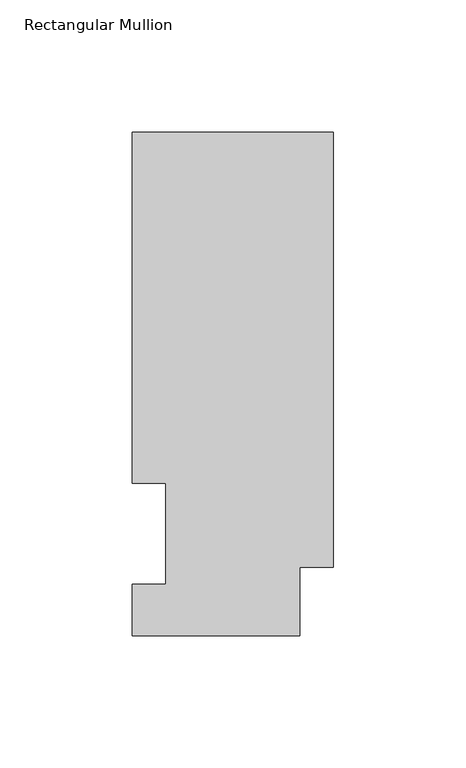
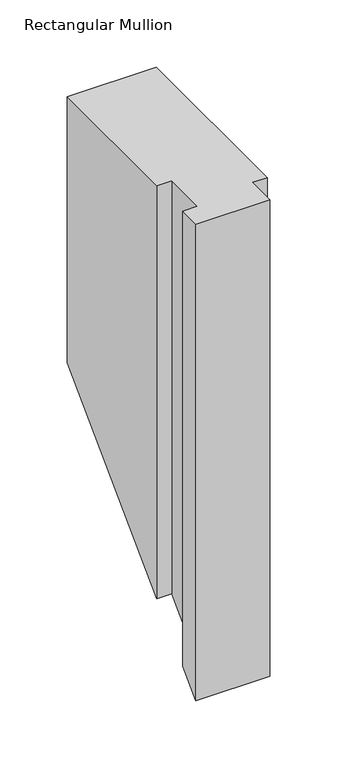
"""IFC4 building model written with IfcOpenShell, lengths in millimetres: member geometry, Rectangular Mullion."""

from ifc_helpers import new_model, si_unit, origin, place, context, project, spatial, faceted_brep, source, transform, mapped, element, save


def rectangular_mullion_cbe23ebb(model_context):
    return source(origin(), model_context, "Body", "Brep", [
        faceted_brep([(-76.2, 0.0134937, 0.0), (-12.7, 0.0134937, 0.0), (-12.7, 25.8960937, 0.0), (0.0, 25.8960937, 0.0), (0.0, 190.5896937, 0.0), (-76.2, 190.5896937, 0.0), (-76.2, 57.6460937, 0.0), (-63.5127, 57.6460937, 0.0), (-63.5127, 19.5460937, 0.0), (-76.2, 19.5460937, 0.0), (-76.2, 0.0134937, -431.7865063), (-12.7, 0.0134937, -431.7865063), (-12.7, 25.8960937, -405.9039063), (0.0, 25.8960937, -405.9039063), (0.0, 190.5896937, -241.2103063), (-76.2, 190.5896937, -241.2103063), (-76.2, 57.6460937, -374.1539062), (-63.5127, 57.6460937, -374.1539062), (-63.5127, 19.5460937, -412.2539063), (-76.2, 19.5460937, -412.2539063)], [[[0, 1, 2, 3, 4, 5, 6, 7, 8, 9]], [[1, 0, 10, 11]], [[2, 1, 11, 12]], [[3, 2, 12, 13]], [[4, 3, 13, 14]], [[5, 4, 14, 15]], [[6, 5, 15, 16]], [[7, 6, 16, 17]], [[8, 7, 17, 18]], [[9, 8, 18, 19]], [[0, 9, 19, 10]], [[10, 19, 18, 17, 16, 15, 14, 13, 12, 11]]]),
    ])


if __name__ == "__main__":
    model = new_model("IFC4")
    model_context = context("Model", 3, world=origin())
    ifc_project = project(units=[si_unit("LENGTHUNIT", "METRE", prefix="MILLI")], contexts=[model_context])
    site = spatial("IfcSite", under=ifc_project)
    building = spatial("IfcBuilding", under=site)
    placement = place(None, origin())
    rectangular_mullion_shape = rectangular_mullion_cbe23ebb(model_context)
    element("IfcMember", 1, ObjectType="Rectangular Mullion", at=placement, inside=building, context=model_context, shape_type="MappedRepresentation", body=[
        mapped(rectangular_mullion_shape, transform((0.0, 0.0, 0.0), x_axis=(1.0, 0.0, 0.0), y_axis=(0.0, 1.0, 0.0), z_axis=(0.0, 0.0, 1.0))),
    ])
    save(model, "model.ifc")
